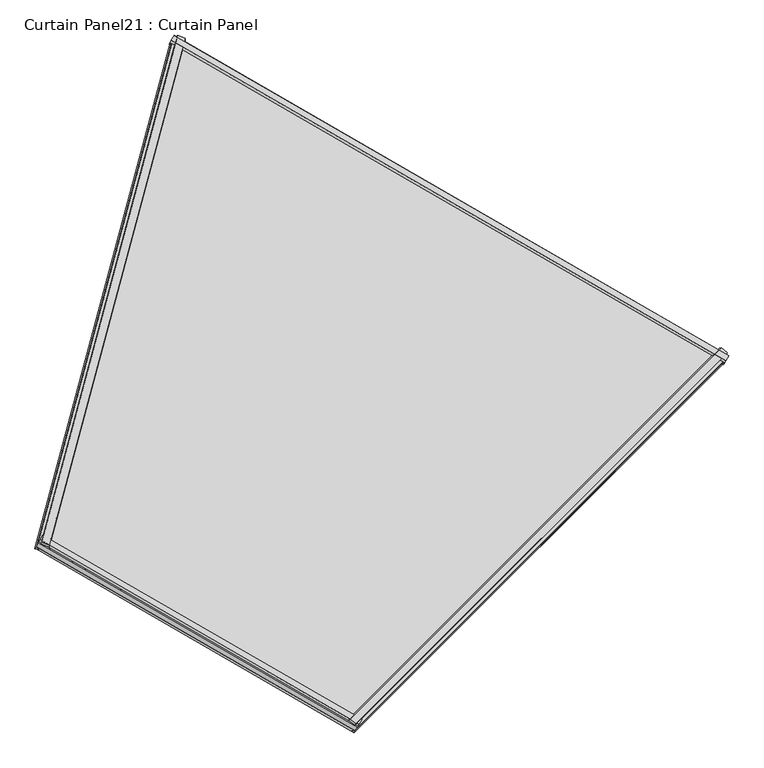
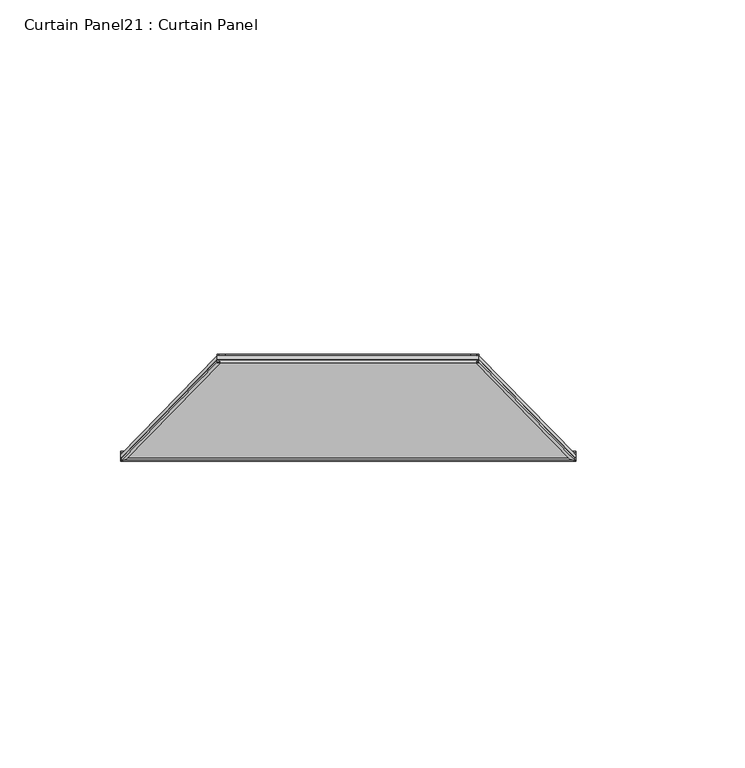
"""IFC4 building model written with IfcOpenShell, lengths in millimetres: plate geometry, Curtain Panel21 : Curtain Panel."""

import ifcopenshell
import ifcopenshell.guid

model = None  # the IFC model being written
_history = None  # IfcOwnerHistory: only IFC2X3 demands one
_inside = {}  # id of a spatial element -> (the spatial element, [elements in it])
_under = {}  # id of a project, library or spatial element -> (it, [spatial elements below it])
_declared = {}  # id of a project -> (the project, [libraries it declares])
_typed = {}  # id of a type object -> (the type object, [elements of that type])
_made_of = {}  # id of a material, layer set ... -> (it, [elements and type objects made of it])


def new_model(schema):
    """Start an empty IFC model of exactly this schema.

    Asked for "IFC4X3", IfcOpenShell would pick the latest addendum, in which some entities
    have other attributes; the version numbers below select the first issue.
    IFC2X3 requires an IfcOwnerHistory on every rooted entity: one is made here for all.
    """
    global model, _history
    if schema == "IFC4X3":
        model = ifcopenshell.file(schema_version=(4, 3, 0, 0))
    else:
        model = ifcopenshell.file(schema=schema)
    _inside.clear()
    _under.clear()
    _declared.clear()
    _typed.clear()
    _made_of.clear()
    _history = None
    if model.schema == "IFC2X3":
        org = make("IfcOrganization", Name="unknown")
        user = make(
            "IfcPersonAndOrganization",
            ThePerson=make("IfcPerson", FamilyName="unknown"),
            TheOrganization=org,
        )
        app = make(
            "IfcApplication",
            ApplicationDeveloper=org,
            Version="unknown",
            ApplicationFullName="unknown",
            ApplicationIdentifier="unknown",
        )
        _history = make(
            "IfcOwnerHistory",
            OwningUser=user,
            OwningApplication=app,
            ChangeAction="ADDED",
            CreationDate=0,
        )
    return model


def make(cls, **values):
    """One entity of the class cls with the attributes given. An attribute that is None is left unset."""
    return model.create_entity(
        cls, **{name: value for name, value in values.items() if value is not None}
    )


def rooted(cls, **values):
    """An entity with a GlobalId (a new one), such as an element, a storey or a relation."""
    return make(cls, GlobalId=ifcopenshell.guid.new(), OwnerHistory=_history, **values)


def si_unit(unit_type, name, prefix=None):
    """IfcSIUnit, for example si_unit("LENGTHUNIT", "METRE", prefix="MILLI")."""
    return make("IfcSIUnit", UnitType=unit_type, Prefix=prefix, Name=name)


def assignment(units):
    """IfcUnitAssignment: the units of a project."""
    return None if units is None else make("IfcUnitAssignment", Units=units)


def point(xyz):
    """IfcCartesianPoint."""
    return None if xyz is None else make("IfcCartesianPoint", Coordinates=xyz)


def direction(xyz):
    """IfcDirection."""
    return None if xyz is None else make("IfcDirection", DirectionRatios=xyz)


def frame(location, z_axis=None, x_axis=None):
    """IfcAxis2Placement3D, a coordinate frame: its origin and axes. An axis left out is left unset."""
    return make(
        "IfcAxis2Placement3D",
        Location=point(location),
        Axis=direction(z_axis),
        RefDirection=direction(x_axis),
    )


def origin():
    """The frame at (0, 0, 0) with its axes left unset."""
    return frame((0.0, 0.0, 0.0))


def place(relative_to, where):
    """IfcLocalPlacement: puts the frame where relative to a parent placement (None: the world)."""
    return make(
        "IfcLocalPlacement", PlacementRelTo=relative_to, RelativePlacement=where
    )


def context(
    kind, dimensions, precision=None, world=None, true_north=None, identifier=None
):
    """IfcGeometricRepresentationContext, for example the 3D "Model" context."""
    return make(
        "IfcGeometricRepresentationContext",
        ContextIdentifier=identifier,
        ContextType=kind,
        CoordinateSpaceDimension=dimensions,
        Precision=precision,
        WorldCoordinateSystem=world,
        TrueNorth=true_north,
    )


def project(units=None, contexts=None):
    """IfcProject with its units and contexts."""
    return rooted(
        "IfcProject",
        Name="project",
        RepresentationContexts=contexts,
        UnitsInContext=assignment(units),
    )


def spatial(cls, under=None, at=None, **own):
    """A site, building, storey or space (cls), placed at a placement, below another one or the project."""
    s = rooted(cls, ObjectPlacement=at, **own)
    if under is not None:
        _under.setdefault(under.id(), (under, []))[1].append(s)
    return s


def polyline(points):
    """IfcPolyline through the points."""
    return make("IfcPolyline", Points=[point(p) for p in points])


def outline(outer, holes=None, kind="AREA"):
    """IfcArbitraryClosedProfileDef: a profile drawn as a closed curve; with holes, ...WithVoids."""
    if holes is None:
        return make("IfcArbitraryClosedProfileDef", ProfileType=kind, OuterCurve=outer)
    return make(
        "IfcArbitraryProfileDefWithVoids",
        ProfileType=kind,
        OuterCurve=outer,
        InnerCurves=holes,
    )


def extrude(swept, where, along, depth):
    """IfcExtrudedAreaSolid: the profile swept, set in the frame where, extruded along a direction by depth."""
    return make(
        "IfcExtrudedAreaSolid",
        SweptArea=swept,
        Position=where,
        ExtrudedDirection=direction(along),
        Depth=depth,
    )


def shape(context_of_items, identifier, shape_type, items):
    """IfcShapeRepresentation: the items that make up one representation, for example the "Body"."""
    return make(
        "IfcShapeRepresentation",
        ContextOfItems=context_of_items,
        RepresentationIdentifier=identifier,
        RepresentationType=shape_type,
        Items=items,
    )


def source(mapping_origin, context_of_items, identifier, shape_type, items):
    """IfcRepresentationMap: a shape defined once, which mapped items show again and again."""
    return make(
        "IfcRepresentationMap",
        MappingOrigin=mapping_origin,
        MappedRepresentation=shape(context_of_items, identifier, shape_type, items),
    )


def transform(
    local_origin,
    x_axis=None,
    y_axis=None,
    z_axis=None,
    scale=None,
    scale2=None,
    scale3=None,
    uniform=True,
):
    """IfcCartesianTransformationOperator3D, or its non-uniform kind. x_axis, y_axis, z_axis: its Axis1, 2, 3."""
    if uniform:
        return make(
            "IfcCartesianTransformationOperator3D",
            Axis1=direction(x_axis),
            Axis2=direction(y_axis),
            LocalOrigin=point(local_origin),
            Scale=scale,
            Axis3=direction(z_axis),
        )
    return make(
        "IfcCartesianTransformationOperator3DnonUniform",
        Axis1=direction(x_axis),
        Axis2=direction(y_axis),
        LocalOrigin=point(local_origin),
        Scale=scale,
        Axis3=direction(z_axis),
        Scale2=scale2,
        Scale3=scale3,
    )


def mapped(mapping_source, mapping_target):
    """IfcMappedItem: shows the shape of a source again, moved by a transform."""
    return make(
        "IfcMappedItem", MappingSource=mapping_source, MappingTarget=mapping_target
    )


def made_of(thing, what):
    """Note that an element or type object is made of a material, layer set ...; save() writes the relation."""
    if what is not None:
        _made_of.setdefault(what.id(), (what, []))[1].append(thing)
    return thing


def element(
    cls,
    number,
    at=None,
    inside=None,
    cuts=None,
    type_object=None,
    material=None,
    context=None,
    identifier="Body",
    shape_type=None,
    held_by="IfcProductDefinitionShape",
    body=None,
    shapes=None,
    **own,
):
    """One element of the class cls, such as IfcWall. Its Tag is "e" and its number.

    at: its placement. inside: the storey or other place that contains it. cuts: it is an
    opening in that element (IfcRelVoidsElement). A single representation is given by context,
    identifier, shape_type and body (its items); several are given by shapes. held_by: the class
    of the entity that holds the representations. save() writes the other relations.
    """
    e = rooted(cls, Tag="e%d" % number, ObjectPlacement=at, **own)
    if body is not None:
        shapes = [shape(context, identifier, shape_type, body)]
    if shapes is not None:
        e.Representation = make(held_by, Representations=shapes)
    if inside is not None:
        _inside.setdefault(inside.id(), (inside, []))[1].append(e)
    if cuts is not None:
        rooted(
            "IfcRelVoidsElement", RelatingBuildingElement=cuts, RelatedOpeningElement=e
        )
    if type_object is not None:
        _typed.setdefault(type_object.id(), (type_object, []))[1].append(e)
    return made_of(e, material)


def aggregate(whole, parts):
    """IfcRelAggregates: a whole, such as a stair, and the parts it consists of."""
    return rooted("IfcRelAggregates", RelatingObject=whole, RelatedObjects=parts)


def save(model, path):
    """Write the relations noted so far, then the file.

    IfcRelAggregates (storeys below a building ...), IfcRelContainedInSpatialStructure (elements
    in a storey), IfcRelDefinesByType, IfcRelAssociatesMaterial and IfcRelDeclares: one each for
    every whole, place, type object, material and project.
    """
    for whole, parts in _under.values():
        aggregate(whole, parts)
    for where, things in _inside.values():
        rooted(
            "IfcRelContainedInSpatialStructure",
            RelatedElements=things,
            RelatingStructure=where,
        )
    for kind, things in _typed.values():
        rooted("IfcRelDefinesByType", RelatedObjects=things, RelatingType=kind)
    for what, things in _made_of.values():
        rooted("IfcRelAssociatesMaterial", RelatedObjects=things, RelatingMaterial=what)
    for by, libraries in _declared.values():
        rooted("IfcRelDeclares", RelatingContext=by, RelatedDefinitions=libraries)
    model.write(path)


def curtain_panel21_curtain_panel_ac97d741(model_context):
    return source(origin(), model_context, "Body", "SweptSolid", [
        extrude(outline(polyline([(4.7128906, 0.0), (4.7128906, -13.7689417), (-0.0072961, -12.7820367), (-2.884415, -2.033638), (4.7128906, 0.0)])), frame((-10355.1655944, -11835.3452547, 2448.1208762), z_axis=(-0.866025403784436, 0.5000000000000046, 0.0), x_axis=(0.35962729833820567, 0.6228927525104941, 0.6947465906068655)), (0.0, 0.0, 1.0), 1336.8143926),
        extrude(outline(polyline([(22.4691869, -21.8874309), (17.5121094, -24.3595661), (17.5121094, -3.9575953), (22.473391, -5.2216894), (22.4691869, -21.8874309)])), frame((-10355.1655944, -11835.3452547, 2448.1208762), z_axis=(-0.866025403784436, 0.5000000000000046, 0.0), x_axis=(0.35962729833820567, 0.6228927525104941, 0.6947465906068655)), (0.0, 0.0, 1.0), 1336.8143926),
        extrude(outline(polyline([(22.3831197, -5.9476601), (22.4361731, -22.5325478), (17.5121094, -25.3444408), (17.5121094, -5.9632419), (22.3831197, -5.9476601)])), frame((-11512.8732484, -11166.6989327, 2447.9025634), z_axis=(-0.18301270189222363, -0.6830127018922179, 0.7071067811865479), x_axis=(0.35962729833820567, 0.6228927525104941, 0.6947465906068655)), (0.0, 0.0, 1.0), 1550.2697454),
        extrude(outline(polyline([(-2.3405704, 0.0), (4.7128906, 0.0), (4.7128906, -11.3518128), (-0.0198592, -12.2485207), (-2.3405704, 0.0)])), frame((-11512.8732484, -11166.6989327, 2447.9025634), z_axis=(-0.18301270189222363, -0.6830127018922179, 0.7071067811865479), x_axis=(0.35962729833820567, 0.6228927525104941, 0.6947465906068655)), (0.0, 0.0, 1.0), 1550.2697454),
        extrude(outline(polyline([(22.3865828, 5.9659384), (17.5121093, 5.9815314), (17.5121094, 25.3646969), (22.4396363, 22.5508263), (22.3865828, 5.9659384)])), frame((-10354.9622904, -11835.219136, 2447.9025634), z_axis=(-0.49999999999999245, -0.5000000000000048, 0.7071067811865496), x_axis=(0.35962729833820567, 0.6228927525104941, 0.6947465906068655)), (0.0, 0.0, 1.0), 1550.2697454),
        extrude(outline(polyline([(-2.330055, 0.0554994), (-0.016396, 12.266799), (4.7128906, 11.3707473), (4.7128906, 0.0554995), (-2.330055, 0.0554994)])), frame((-10354.9622904, -11835.219136, 2447.9025634), z_axis=(-0.49999999999999245, -0.5000000000000048, 0.7071067811865496), x_axis=(0.35962729833820567, 0.6228927525104941, 0.6947465906068655)), (0.0, 0.0, 1.0), 1550.2697454),
        extrude(outline(polyline([(4.7128906, 0.0), (-2.8844149, 2.033638), (-0.0072961, 12.7820366), (4.7128906, 13.7689417), (4.7128906, 0.0)])), frame((-11130.3004671, -12610.4801274, 3544.3271258), z_axis=(-0.866025403784435, 0.5000000000000062, 0.0), x_axis=(0.3596272983382057, 0.6228927525104943, 0.6947465906068654)), (0.0, 0.0, 1.0), 769.376283),
        extrude(outline(polyline([(22.4691869, 21.8874308), (22.473391, 5.2216894), (17.5121094, 3.9575953), (17.5121094, 24.3595661), (22.4691869, 21.8874308)])), frame((-11130.3004671, -12610.4801274, 3544.3271258), z_axis=(-0.866025403784435, 0.5000000000000062, 0.0), x_axis=(0.3596272983382057, 0.6228927525104943, 0.6947465906068654)), (0.0, 0.0, 1.0), 769.376283),
        extrude(outline(polyline([(-15.982314, -1e-07), (-260.6570097, -1314.3474294), (-1707.0783734, -756.4930382), (-1566.2520593, 0.0), (-15.982314, -1e-07)])), frame((-11508.3099014, -11153.0580578, 2440.0939383), z_axis=(0.35962729833820567, 0.6228927525104941, 0.6947465906068655), x_axis=(0.183012701892223, 0.6830127018922182, -0.7071067811865478)), (0.0, 0.0, 1.0), 12.7992188),
    ])


if __name__ == "__main__":
    model = new_model("IFC4")
    model_context = context("Model", 3, world=origin())
    ifc_project = project(units=[si_unit("LENGTHUNIT", "METRE", prefix="MILLI")], contexts=[model_context])
    site = spatial("IfcSite", under=ifc_project)
    building = spatial("IfcBuilding", under=site)
    placement = place(None, origin())
    curtain_panel21_curtain_panel_shape = curtain_panel21_curtain_panel_ac97d741(model_context)
    element("IfcPlate", 1, ObjectType="Curtain Panel21 : Curtain Panel", at=placement, inside=building, context=model_context, shape_type="MappedRepresentation", body=[
        mapped(curtain_panel21_curtain_panel_shape, transform((0.0, 0.0, 0.0), x_axis=(1.0, 0.0, 0.0), y_axis=(0.0, 1.0, 0.0), z_axis=(0.0, 0.0, 1.0))),
    ])
    save(model, "model.ifc")
